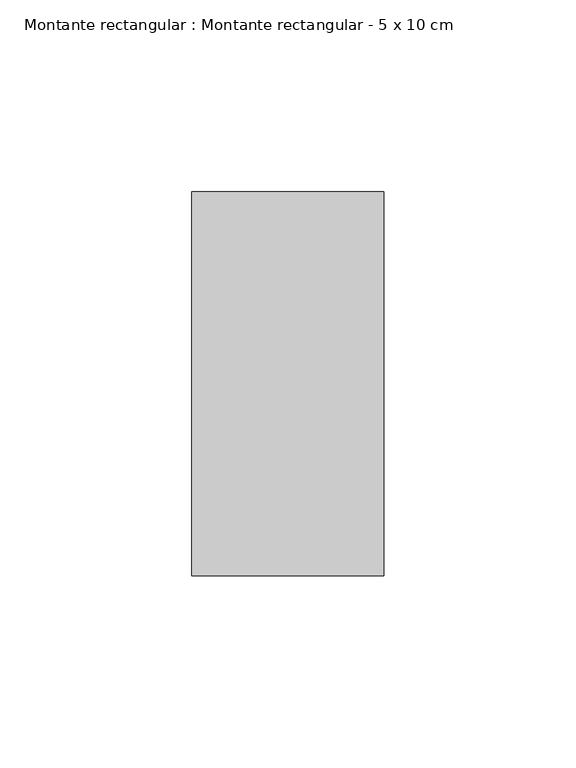
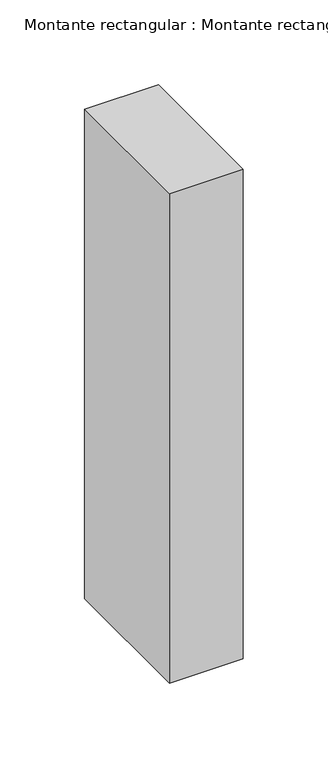
"""IFC4 building model written with IfcOpenShell, lengths in millimetres: member geometry, Montante rectangular : Montante rectangular - 5 x 10 cm."""

from ifc_helpers import new_model, si_unit, frame, origin, place, context, project, spatial, polyline, outline, extrude, source, transform, mapped, element, save


def montante_rectangular_montante_rectangular_5_x_10_cm_5add127c(model_context):
    return source(origin(), model_context, "Body", "SweptSolid", [
        extrude(outline(polyline([(25.0, 50.0), (25.0, -50.0), (-25.0, -50.0), (-25.0, 50.0), (25.0, 50.0)])), frame((0.0, 0.0, -351.6666667), z_axis=(0.0, 0.0, 1.0), x_axis=(1.0, 0.0, 0.0)), (0.0, 0.0, 1.0), 351.6666667),
    ])


if __name__ == "__main__":
    model = new_model("IFC4")
    model_context = context("Model", 3, world=origin())
    ifc_project = project(units=[si_unit("LENGTHUNIT", "METRE", prefix="MILLI")], contexts=[model_context])
    site = spatial("IfcSite", under=ifc_project)
    building = spatial("IfcBuilding", under=site)
    placement = place(None, origin())
    montante_rectangular_montante_rectangular_5_x_10_cm_shape = montante_rectangular_montante_rectangular_5_x_10_cm_5add127c(model_context)
    element("IfcMember", 1, ObjectType="Montante rectangular : Montante rectangular - 5 x 10 cm", at=placement, inside=building, context=model_context, shape_type="MappedRepresentation", body=[
        mapped(montante_rectangular_montante_rectangular_5_x_10_cm_shape, transform((0.0, 0.0, 0.0), x_axis=(1.0, 0.0, 0.0), y_axis=(0.0, 1.0, 0.0), z_axis=(0.0, 0.0, 1.0))),
    ])
    save(model, "model.ifc")
